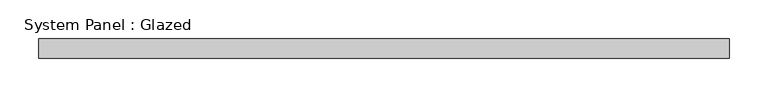
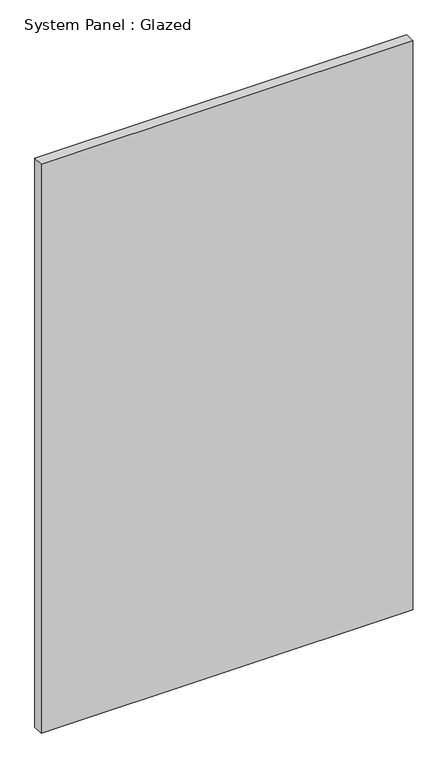
"""IFC4 building model written with IfcOpenShell, lengths in millimetres: plate geometry, System Panel : Glazed."""

from ifc_helpers import new_model, si_unit, origin, origin_with_axes, place, context, project, spatial, polyline, outline, extrude, source, transform, mapped, element, save


def system_panel_glazed_95bd1548(model_context):
    return source(origin(), model_context, "Body", "SweptSolid", [
        extrude(outline(polyline([(447.675, 19.05), (-447.675, 19.05), (-447.675, 44.45), (447.675, 44.45), (447.675, 19.05)])), origin_with_axes(), (0.0, 0.0, 1.0), 1447.8),
    ])


if __name__ == "__main__":
    model = new_model("IFC4")
    model_context = context("Model", 3, world=origin())
    ifc_project = project(units=[si_unit("LENGTHUNIT", "METRE", prefix="MILLI")], contexts=[model_context])
    site = spatial("IfcSite", under=ifc_project)
    building = spatial("IfcBuilding", under=site)
    placement = place(None, origin())
    system_panel_glazed_shape = system_panel_glazed_95bd1548(model_context)
    element("IfcPlate", 1, ObjectType="System Panel : Glazed", at=placement, inside=building, context=model_context, shape_type="MappedRepresentation", body=[
        mapped(system_panel_glazed_shape, transform((0.0, 0.0, 0.0), x_axis=(1.0, 0.0, 0.0), y_axis=(0.0, 1.0, 0.0), z_axis=(0.0, 0.0, 1.0))),
    ])
    save(model, "model.ifc")
